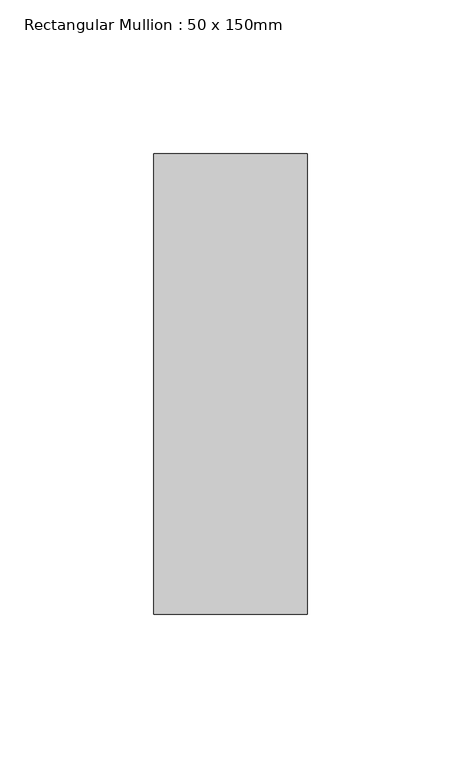
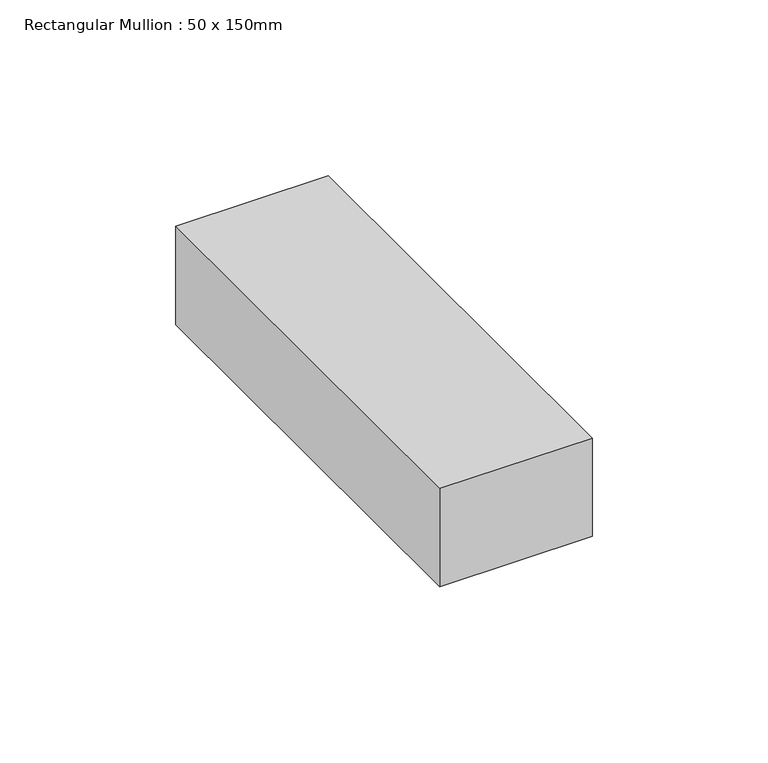
"""IFC4 building model written with IfcOpenShell, lengths in millimetres: member geometry, Rectangular Mullion : 50 x 150mm."""

from ifc_helpers import new_model, si_unit, frame, origin, place, context, project, spatial, polyline, outline, extrude, source, transform, mapped, element, save


def rectangular_mullion_50_x_150mm_2e3c568c(model_context):
    return source(origin(), model_context, "Body", "SweptSolid", [
        extrude(outline(polyline([(25.0, 75.0), (25.0, -75.0), (-25.0, -75.0), (-25.0, 75.0), (25.0, 75.0)])), frame((0.0, 0.0, -34.1027357), z_axis=(0.0, 0.0, 1.0), x_axis=(1.0, 0.0, 0.0)), (0.0, 0.0, 1.0), 34.1027357),
    ])


if __name__ == "__main__":
    model = new_model("IFC4")
    model_context = context("Model", 3, world=origin())
    ifc_project = project(units=[si_unit("LENGTHUNIT", "METRE", prefix="MILLI")], contexts=[model_context])
    site = spatial("IfcSite", under=ifc_project)
    building = spatial("IfcBuilding", under=site)
    placement = place(None, origin())
    rectangular_mullion_50_x_150mm_shape = rectangular_mullion_50_x_150mm_2e3c568c(model_context)
    element("IfcMember", 1, ObjectType="Rectangular Mullion : 50 x 150mm", at=placement, inside=building, context=model_context, shape_type="MappedRepresentation", body=[
        mapped(rectangular_mullion_50_x_150mm_shape, transform((0.0, 0.0, 0.0), x_axis=(1.0, 0.0, 0.0), y_axis=(0.0, 1.0, 0.0), z_axis=(0.0, 0.0, 1.0))),
    ])
    save(model, "model.ifc")
